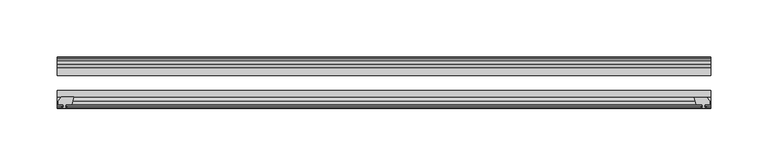
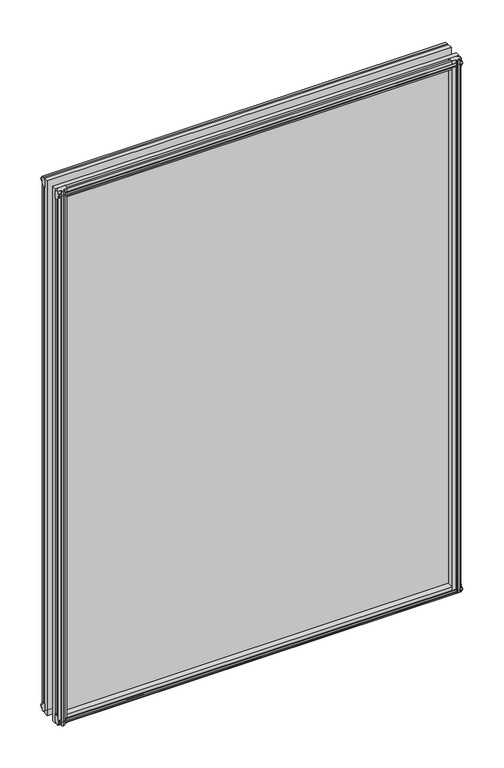
"""IFC4 building model written with IfcOpenShell, lengths in millimetres: plate geometry."""

from ifc_helpers import new_model, si_unit, frame, origin, place, context, project, spatial, polyline, outline, extrude, source, transform, mapped, element, save


def plate_5175dc51(model_context):
    return source(origin(), model_context, "Body", "SweptSolid", [
        extrude(outline(polyline([(-271.3322822, -83.1453125), (-273.0500003, -89.4953125), (-278.2570003, -89.4953125), (-278.6380003, -91.8755095), (-277.2224712, -91.4155762), (-277.2224712, -92.2167904), (-279.4000003, -92.9243125), (-281.5775293, -92.2167904), (-281.5775293, -91.4155762), (-280.1620003, -91.8755095), (-280.5430003, -89.4953125), (-284.9880003, -89.4953125), (-284.9880003, -86.5489125), (-282.1536581, -83.1453125), (-271.3322822, -83.1453125)])), frame((0.0, 0.0, -12.4587), z_axis=(0.0, 0.0, 1.0), x_axis=(1.0, 0.0, 0.0)), (0.0, 0.0, 1.0), 799.6169595),
        extrude(outline(polyline([(271.3538929, -83.2252021), (282.1752688, -83.2252021), (285.009611, -86.6288021), (285.009611, -89.5752021), (280.564611, -89.5752021), (280.183611, -91.9553991), (281.59914, -91.4954658), (281.59914, -92.29668), (279.421611, -93.0042021), (277.2440819, -92.29668), (277.2440819, -91.4954658), (278.659611, -91.9553991), (278.278611, -89.5752021), (273.071611, -89.5752021), (271.3538929, -83.2252021)])), frame((0.0, 0.0, -9.0482291), z_axis=(0.0, 0.0, 1.0), x_axis=(1.0, 0.0, 0.0)), (0.0, 0.0, 1.0), 796.2064886),
        extrude(outline(polyline([(-280.6827003, -49.0151155), (-282.0982293, -49.4750488), (-282.0982293, -48.6738346), (-279.9207003, -47.9663125), (-277.7431712, -48.6738346), (-277.7431712, -49.4750488), (-279.1587003, -49.0151155), (-278.7777003, -51.3953125), (-273.5707003, -51.3953125), (-271.8529822, -57.7453125), (-282.6743581, -57.7453125), (-285.5087003, -54.3417125), (-285.5087003, -51.3953125), (-281.0637003, -51.3953125), (-280.6827003, -49.0151155)])), frame((0.0, 0.0, -12.4587), z_axis=(0.0, 0.0, 1.0), x_axis=(1.0, 0.0, 0.0)), (0.0, 0.0, 1.0), 793.2669595),
        extrude(outline(polyline([(271.8529822, -57.7453125), (273.5707003, -51.3953125), (278.7777003, -51.3953125), (279.1587003, -49.0151155), (277.7431712, -49.4750488), (277.7431712, -48.6738346), (279.9207003, -47.9663125), (282.0982293, -48.6738346), (282.0982293, -49.4750488), (280.6827003, -49.0151155), (281.0637003, -51.3953125), (285.5087003, -51.3953125), (285.5087003, -54.3417125), (282.6743581, -57.7453125), (271.8529822, -57.7453125)])), frame((0.0, 0.0, -12.4587), z_axis=(0.0, 0.0, 1.0), x_axis=(1.0, 0.0, 0.0)), (0.0, 0.0, 1.0), 793.2669595),
        extrude(outline(polyline([(-48.6738346, -4.6931709), (-47.9663125, -6.8707), (-48.6738346, -9.0482291), (-49.4750488, -9.0482291), (-49.0151155, -7.6327), (-51.3953125, -8.0137), (-51.3953125, -12.4587), (-54.3417125, -12.4587), (-57.7453125, -9.6243578), (-57.7453125, 1.1970181), (-51.3953125, -0.5207), (-51.3953125, -5.7277), (-49.0151155, -6.1087), (-49.4750488, -4.6931709), (-48.6738346, -4.6931709)])), frame((-285.7500003, 0.0, 0.0), z_axis=(1.0, 0.0, 0.0), x_axis=(0.0, 1.0, 0.0)), (0.0, 0.0, 1.0), 571.5000006),
        extrude(outline(polyline([(-83.1453125, 1.7177181), (-83.1453125, -9.1036578), (-86.5489125, -11.938), (-89.4953125, -11.938), (-89.4953125, -7.493), (-91.8755095, -7.112), (-91.4155762, -8.5275291), (-92.2167904, -8.5275291), (-92.9243125, -6.35), (-92.2167904, -4.1724709), (-91.4155762, -4.1724709), (-91.8755095, -5.588), (-89.4953125, -5.207), (-89.4953125, 0.0), (-83.1453125, 1.7177181)])), frame((-285.7500003, 0.0, 0.0), z_axis=(1.0, 0.0, 0.0), x_axis=(0.0, 1.0, 0.0)), (0.0, 0.0, 1.0), 571.5000006),
        extrude(outline(polyline([(-49.0151155, 782.3322595), (-49.4750488, 783.7477886), (-48.6738346, 783.7477886), (-47.9663125, 781.5702595), (-48.6738346, 779.3927305), (-49.4750488, 779.3927305), (-49.0151155, 780.8082595), (-51.3953125, 780.4272595), (-51.3953125, 775.2202595), (-57.7453125, 773.5025414), (-57.7453125, 784.3239173), (-54.3417125, 787.1582595), (-51.3953125, 787.1582595), (-51.3953125, 782.7132595), (-49.0151155, 782.3322595)])), frame((-285.7500003, 0.0, 0.0), z_axis=(1.0, 0.0, 0.0), x_axis=(0.0, 1.0, 0.0)), (0.0, 0.0, 1.0), 571.5000006),
        extrude(outline(polyline([(-89.4953125, 786.6375595), (-86.5489125, 786.6375595), (-83.1453125, 783.8032173), (-83.1453125, 772.9818414), (-89.4953125, 774.6995595), (-89.4953125, 779.9065595), (-91.8755095, 780.2875595), (-91.4155762, 778.8720305), (-92.2167904, 778.8720305), (-92.9243125, 781.0495595), (-92.2167904, 783.2270886), (-91.4155762, 783.2270886), (-91.8755095, 781.8115595), (-89.4953125, 782.1925595), (-89.4953125, 786.6375595)])), frame((-285.7500003, 0.0, 0.0), z_axis=(1.0, 0.0, 0.0), x_axis=(0.0, 1.0, 0.0)), (0.0, 0.0, 1.0), 571.5000006),
        extrude(outline(polyline([(-285.7500003, -57.7453125), (285.7500003, -57.7453125), (285.7500003, -64.0953125), (-285.7500003, -64.0953125), (-285.7500003, -57.7453125)])), frame((0.0, 0.0, -12.7), z_axis=(0.0, 0.0, 1.0), x_axis=(1.0, 0.0, 0.0)), (0.0, 0.0, 1.0), 800.0995595),
        extrude(outline(polyline([(-285.7500003, -77.1178925), (285.7500003, -77.1178925), (285.7500003, -83.1453125), (-285.7500003, -83.1453125), (-285.7500003, -77.1178925)])), frame((0.0, 0.0, -12.7), z_axis=(0.0, 0.0, 1.0), x_axis=(1.0, 0.0, 0.0)), (0.0, 0.0, 1.0), 800.0995595),
    ])


if __name__ == "__main__":
    model = new_model("IFC4")
    model_context = context("Model", 3, world=origin())
    ifc_project = project(units=[si_unit("LENGTHUNIT", "METRE", prefix="MILLI")], contexts=[model_context])
    site = spatial("IfcSite", under=ifc_project)
    building = spatial("IfcBuilding", under=site)
    placement = place(None, origin())
    plate_shape = plate_5175dc51(model_context)
    element("IfcPlate", 1, at=placement, inside=building, context=model_context, shape_type="MappedRepresentation", body=[
        mapped(plate_shape, transform((0.0, 0.0, 0.0), x_axis=(1.0, 0.0, 0.0), y_axis=(0.0, 1.0, 0.0), z_axis=(0.0, 0.0, 1.0))),
    ])
    save(model, "model.ifc")
